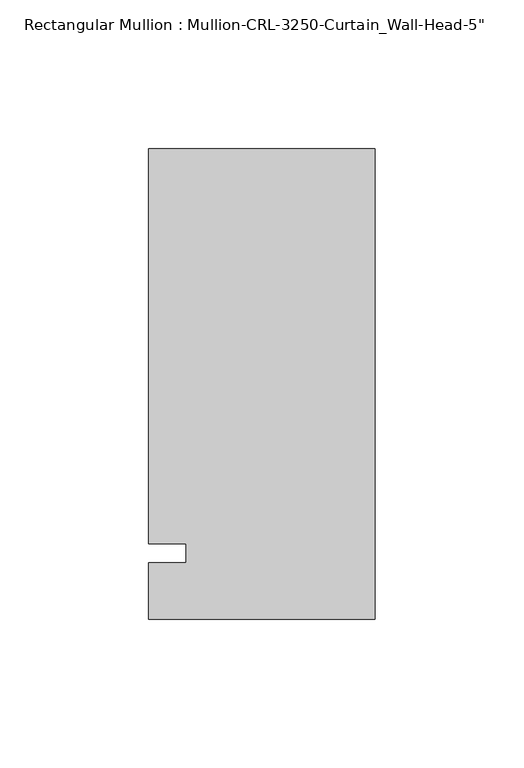
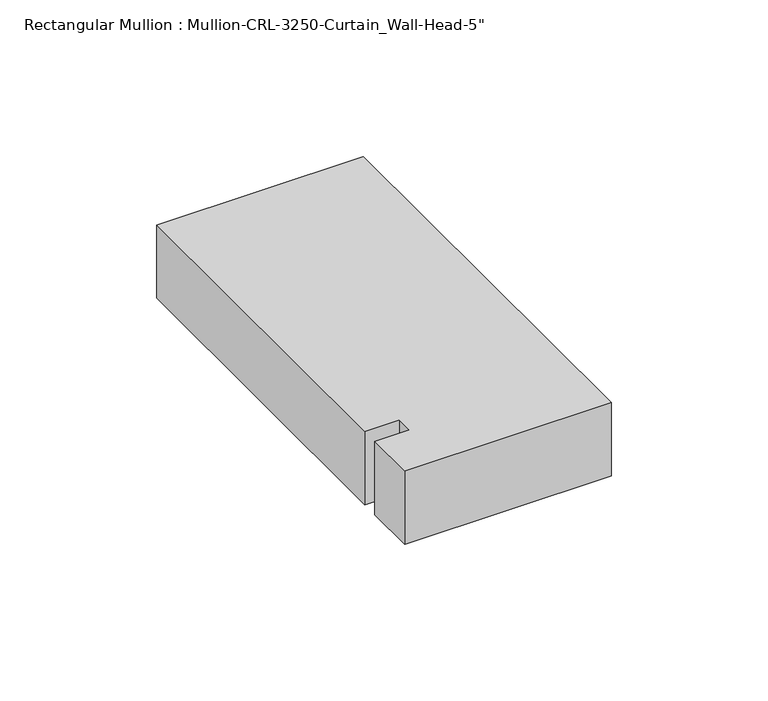
"""IFC4 building model written with IfcOpenShell, lengths in millimetres: member geometry."""

from ifc_helpers import new_model, si_unit, frame, origin, place, context, project, spatial, polyline, outline, extrude, source, transform, mapped, element, save


def member_c8c2ffb3(model_context):
    return source(origin(), model_context, "Body", "SweptSolid", [
        extrude(outline(polyline([(0.0, -22.2254168), (-76.199997, -22.2254168), (-76.199997, -3.175), (-63.499997, -3.175), (-63.499997, 3.175), (-76.199997, 3.175), (-76.199997, 136.0164463), (0.0, 136.0164463), (0.0, -22.2254168)])), frame((0.0, 0.0, -28.5821059), z_axis=(0.0, 0.0, 1.0), x_axis=(1.0, 0.0, 0.0)), (0.0, 0.0, 1.0), 28.5821059),
    ])


if __name__ == "__main__":
    model = new_model("IFC4")
    model_context = context("Model", 3, world=origin())
    ifc_project = project(units=[si_unit("LENGTHUNIT", "METRE", prefix="MILLI")], contexts=[model_context])
    site = spatial("IfcSite", under=ifc_project)
    building = spatial("IfcBuilding", under=site)
    placement = place(None, origin())
    member_shape = member_c8c2ffb3(model_context)
    element("IfcMember", 1, ObjectType="Rectangular Mullion : Mullion-CRL-3250-Curtain_Wall-Head-5\"", at=placement, inside=building, context=model_context, shape_type="MappedRepresentation", body=[
        mapped(member_shape, transform((0.0, 0.0, 0.0), x_axis=(1.0, 0.0, 0.0), y_axis=(0.0, 1.0, 0.0), z_axis=(0.0, 0.0, 1.0))),
    ])
    save(model, "model.ifc")
